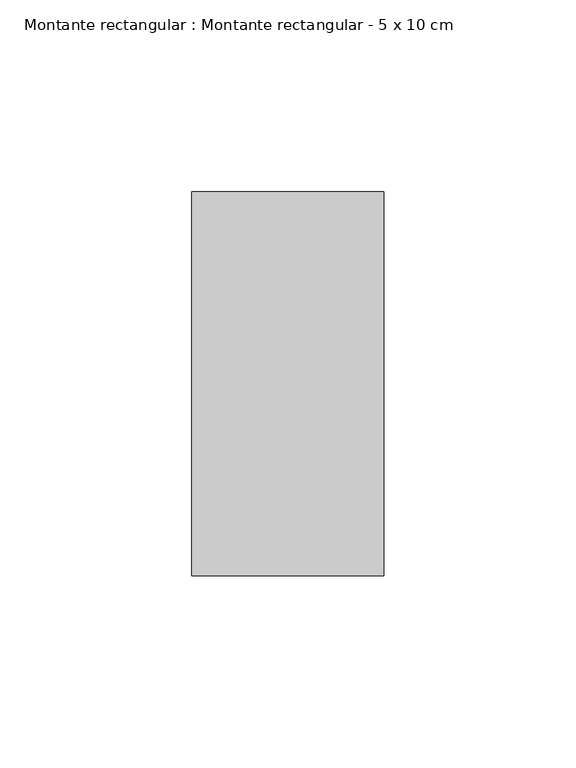
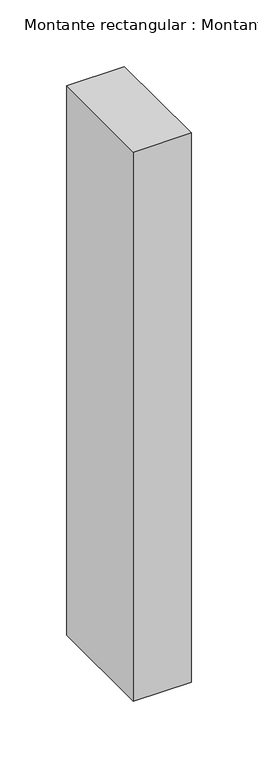
"""IFC4 building model written with IfcOpenShell, lengths in millimetres: member geometry, Montante rectangular : Montante rectangular - 5 x 10 cm."""

from ifc_helpers import new_model, si_unit, frame, origin, place, context, project, spatial, polyline, outline, extrude, source, transform, mapped, element, save


def montante_rectangular_montante_rectangular_5_x_10_cm_0a7e6a5b(model_context):
    return source(origin(), model_context, "Body", "SweptSolid", [
        extrude(outline(polyline([(25.0, 50.0), (25.0, -50.0), (-25.0, -50.0), (-25.0, 50.0), (25.0, 50.0)])), frame((0.0, 0.0, -503.0), z_axis=(0.0, 0.0, 1.0), x_axis=(1.0, 0.0, 0.0)), (0.0, 0.0, 1.0), 503.0),
    ])


if __name__ == "__main__":
    model = new_model("IFC4")
    model_context = context("Model", 3, world=origin())
    ifc_project = project(units=[si_unit("LENGTHUNIT", "METRE", prefix="MILLI")], contexts=[model_context])
    site = spatial("IfcSite", under=ifc_project)
    building = spatial("IfcBuilding", under=site)
    placement = place(None, origin())
    montante_rectangular_montante_rectangular_5_x_10_cm_shape = montante_rectangular_montante_rectangular_5_x_10_cm_0a7e6a5b(model_context)
    element("IfcMember", 1, ObjectType="Montante rectangular : Montante rectangular - 5 x 10 cm", at=placement, inside=building, context=model_context, shape_type="MappedRepresentation", body=[
        mapped(montante_rectangular_montante_rectangular_5_x_10_cm_shape, transform((0.0, 0.0, 0.0), x_axis=(1.0, 0.0, 0.0), y_axis=(0.0, 1.0, 0.0), z_axis=(0.0, 0.0, 1.0))),
    ])
    save(model, "model.ifc")
